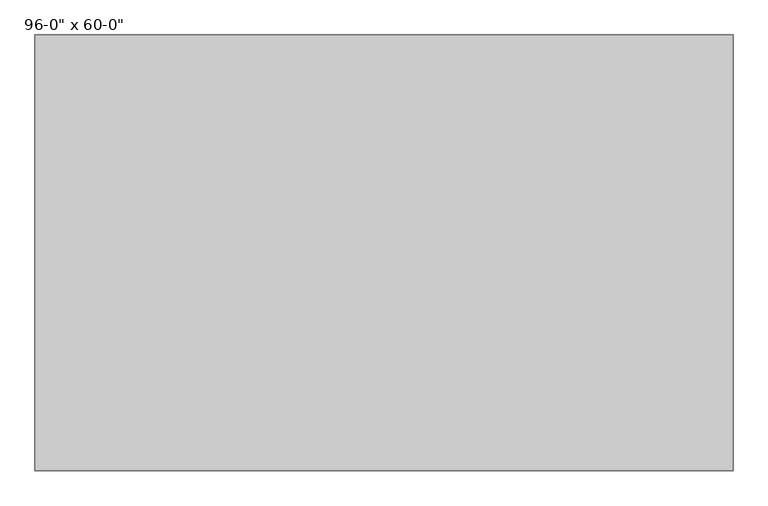
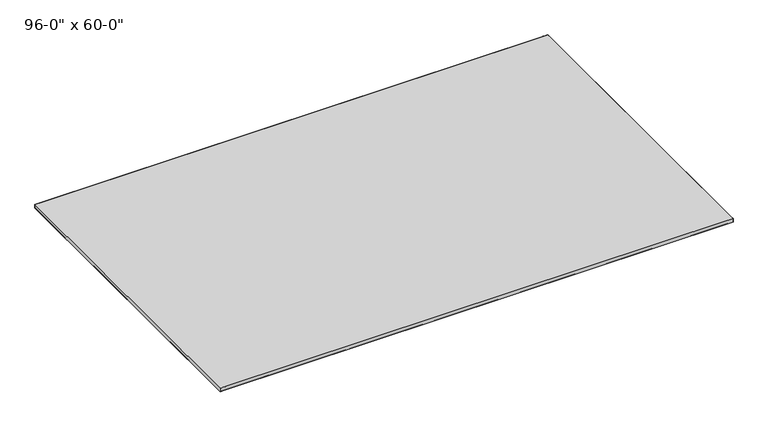
"""IFC4 building model written with IfcOpenShell, lengths in millimetres: furniture geometry."""

from ifc_helpers import new_model, si_unit, origin, place, context, project, spatial, triangles, source, transform, mapped, element, save


def furniture_a3ebc537(model_context):
    return source(origin(), model_context, "Body", "Tessellation", [
        triangles([(-1219.2, 761.9999273, 2.5400001), (-1219.2, -762.0, 2.5400001), (1219.2, -761.9999273, 2.5400001), (1219.2, 762.0, 2.5400001)], [[1, 2, 3], [1, 3, 4]], closed=False),
        triangles([(1198.9614098, -762.0, 17.8159104), (1219.2, -762.0, 17.8159104), (1219.2, -743.0642372, 17.8159104), (1198.9614098, -743.0642372, 17.8159104), (-1219.2, -762.0000727, 17.8159104), (-1198.9612644, -762.0000727, 17.8159104), (-1198.9612644, -743.0643099, 17.8159104), (-1219.2, -743.0643099, 17.8159104), (-1198.9614098, 762.0, 17.8159104), (-1219.2, 762.0, 17.8159104), (-1219.2, 743.0642372, 17.8159104), (-1198.9614098, 743.0642372, 17.8159104), (1198.9612644, 743.0643099, 17.8159104), (1198.9612644, -762.0, 0.0), (-1198.9614098, -762.0000727, 0.0), (1219.2, 743.0643099, 0.0), (1219.2, 743.0643099, 17.8159104), (1219.2, -743.0642372, 0.0), (-1198.9612644, 762.0, 0.0), (1198.9612644, 762.0000727, 17.8159104), (1198.9614098, 762.0000727, 0.0), (-1219.2, -743.0643099, 0.0), (-1219.2, 743.0642372, 0.0), (1219.2, -762.0, 0.0), (-1219.2, -762.0000727, 0.0), (-1219.2, 762.0, 0.0), (1219.2, 762.0000727, 17.8159104), (1219.2, 762.0000727, 0.0)], [[1, 2, 3], [3, 4, 1], [5, 6, 7], [7, 8, 5], [9, 10, 11], [11, 12, 9], [13, 12, 7], [7, 4, 13], [14, 1, 6], [6, 15, 14], [16, 17, 3], [3, 18, 16], [19, 9, 20], [20, 21, 19], [22, 8, 11], [11, 23, 22], [17, 13, 4], [4, 3, 17], [8, 7, 12], [12, 11, 8], [24, 2, 1], [1, 14, 24], [5, 25, 15], [15, 6, 5], [26, 10, 9], [9, 19, 26], [27, 28, 21], [21, 20, 27], [20, 9, 12], [12, 13, 20], [6, 1, 4], [4, 7, 6], [28, 27, 17], [17, 16, 28], [2, 24, 18], [18, 3, 2], [25, 5, 8], [8, 22, 25], [10, 26, 23], [23, 11, 10], [27, 20, 13], [13, 17, 27]], closed=False),
    ])


if __name__ == "__main__":
    model = new_model("IFC4")
    model_context = context("Model", 3, world=origin())
    ifc_project = project(units=[si_unit("LENGTHUNIT", "METRE", prefix="MILLI")], contexts=[model_context])
    site = spatial("IfcSite", under=ifc_project)
    building = spatial("IfcBuilding", under=site)
    placement = place(None, origin())
    furniture_shape = furniture_a3ebc537(model_context)
    element("IfcFurniture", 1, ObjectType="96-0\" x 60-0\"", at=placement, inside=building, context=model_context, shape_type="MappedRepresentation", body=[
        mapped(furniture_shape, transform((0.0, 0.0, 0.0), x_axis=(1.0, 0.0, 0.0), y_axis=(0.0, 1.0, 0.0), z_axis=(0.0, 0.0, 1.0))),
    ])
    save(model, "model.ifc")
